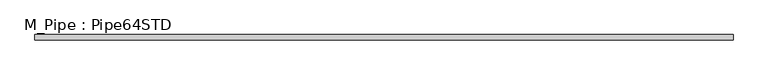
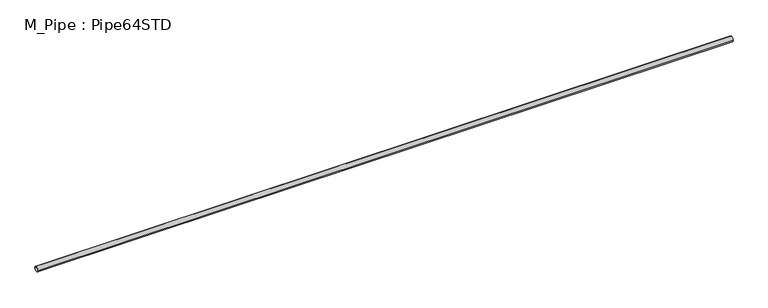
"""IFC4 building model written with IfcOpenShell, lengths in millimetres: member geometry, M_Pipe : Pipe64STD."""

from ifc_helpers import new_model, si_unit, point, frame, origin, origin_2d, place, context, project, spatial, circle_curve, trimmed, segment, composite_curve, outline, extrude, source, transform, mapped, element, save


def m_pipe_pipe64std_036515fd(model_context):
    return source(origin(), model_context, "Body", "SweptSolid", [
        extrude(outline(composite_curve([segment(trimmed(circle_curve(origin_2d(), 36.6), [point((-36.6, 0.0))], [point((36.6, 0.0))], False, "CARTESIAN"), True, "CONTINUOUS"), segment(trimmed(circle_curve(origin_2d(), 36.6), [point((36.6, 0.0))], [point((-36.6, 0.0))], False, "CARTESIAN"), True, "CONTINUOUS")], self_intersect=False), holes=[composite_curve([segment(trimmed(circle_curve(origin_2d(), 31.44), [point((31.44, 0.0))], [point((-31.44, 0.0))], True, "CARTESIAN"), True, "CONTINUOUS"), segment(trimmed(circle_curve(origin_2d(), 31.44), [point((-31.44, 0.0))], [point((31.44, 0.0))], True, "CARTESIAN"), True, "CONTINUOUS")], self_intersect=False)]), frame((-4880.6, 0.0, 0.0), z_axis=(1.0, 0.0, 0.0), x_axis=(0.0, 1.0, 0.0)), (0.0, 0.0, 1.0), 9797.5),
    ])


if __name__ == "__main__":
    model = new_model("IFC4")
    model_context = context("Model", 3, world=origin())
    ifc_project = project(units=[si_unit("LENGTHUNIT", "METRE", prefix="MILLI")], contexts=[model_context])
    site = spatial("IfcSite", under=ifc_project)
    building = spatial("IfcBuilding", under=site)
    placement = place(None, origin())
    m_pipe_pipe64std_shape = m_pipe_pipe64std_036515fd(model_context)
    element("IfcMember", 1, ObjectType="M_Pipe : Pipe64STD", at=placement, inside=building, context=model_context, shape_type="MappedRepresentation", body=[
        mapped(m_pipe_pipe64std_shape, transform((0.0, 0.0, 0.0), x_axis=(1.0, 0.0, 0.0), y_axis=(0.0, 1.0, 0.0), z_axis=(0.0, 0.0, 1.0))),
    ])
    save(model, "model.ifc")
